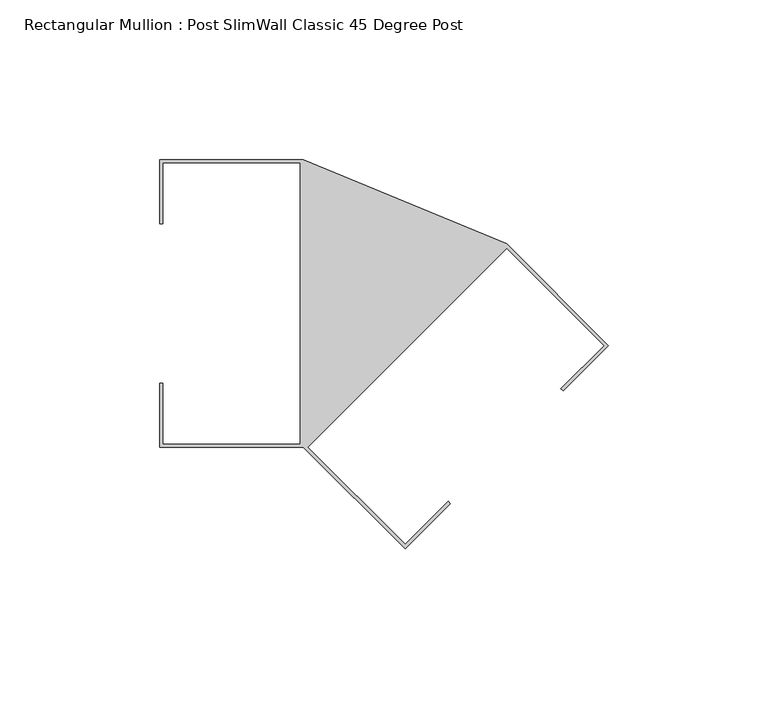
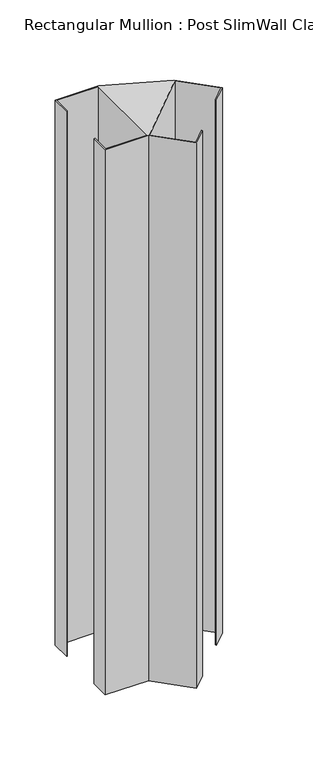
"""IFC4 building model written with IfcOpenShell, lengths in millimetres: member geometry, Rectangular Mullion : Post SlimWall Classic 45 Degree Post."""

from ifc_helpers import new_model, si_unit, frame, origin, place, context, project, spatial, polyline, outline, extrude, source, transform, mapped, element, save


def rectangular_mullion_post_slimwall_classic_45_degree_post_e8305cb8(model_context):
    return source(origin(), model_context, "Body", "SweptSolid", [
        extrude(outline(polyline([(-31.8198052, 18.6396103), (0.0, -13.1801948), (-14.1421356, -27.3223305), (-14.8138871, -26.650579), (-1.3435029, -13.1801948), (-31.8198052, 17.2961074), (-94.1159126, -45.0), (-63.6396103, -75.4763023), (-50.1692261, -62.0059181), (-49.4974747, -62.6776695), (-63.6396103, -76.8198052), (-95.4594155, -45.0), (-140.4594155, -45.0), (-140.4594155, -25.0), (-139.5094155, -25.0), (-139.5094155, -44.05), (-96.4094155, -44.05), (-96.4094155, 44.05), (-139.5094155, 44.05), (-139.5094155, 25.0), (-140.4594155, 25.0), (-140.4594155, 45.0), (-95.4594155, 45.0), (-31.8198052, 18.6396103)])), frame((0.0, 0.0, -600.0), z_axis=(0.0, 0.0, 1.0), x_axis=(1.0, 0.0, 0.0)), (0.0, 0.0, 1.0), 600.0),
    ])


if __name__ == "__main__":
    model = new_model("IFC4")
    model_context = context("Model", 3, world=origin())
    ifc_project = project(units=[si_unit("LENGTHUNIT", "METRE", prefix="MILLI")], contexts=[model_context])
    site = spatial("IfcSite", under=ifc_project)
    building = spatial("IfcBuilding", under=site)
    placement = place(None, origin())
    rectangular_mullion_post_slimwall_classic_45_degree_post_shape = rectangular_mullion_post_slimwall_classic_45_degree_post_e8305cb8(model_context)
    element("IfcMember", 1, ObjectType="Rectangular Mullion : Post SlimWall Classic 45 Degree Post", at=placement, inside=building, context=model_context, shape_type="MappedRepresentation", body=[
        mapped(rectangular_mullion_post_slimwall_classic_45_degree_post_shape, transform((0.0, 0.0, 0.0), x_axis=(1.0, 0.0, 0.0), y_axis=(0.0, 1.0, 0.0), z_axis=(0.0, 0.0, 1.0))),
    ])
    save(model, "model.ifc")
